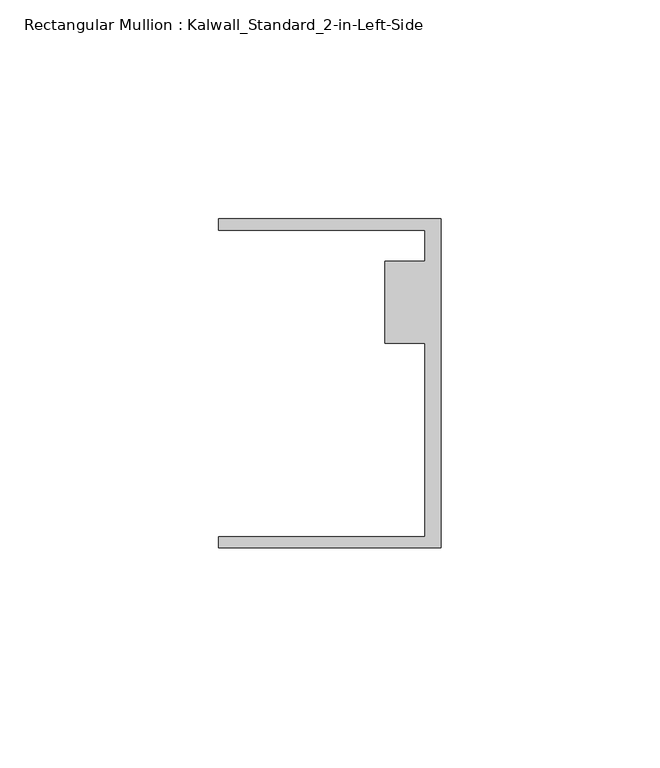
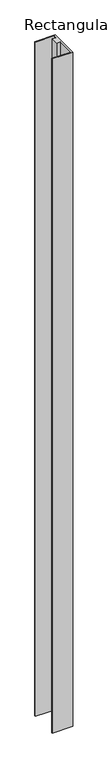
"""IFC4 building model written with IfcOpenShell, lengths in millimetres: member geometry, Rectangular Mullion : Kalwall_Standard_2-in-Left-Side."""

import ifcopenshell
import ifcopenshell.guid

model = None  # the IFC model being written
_history = None  # IfcOwnerHistory: only IFC2X3 demands one
_inside = {}  # id of a spatial element -> (the spatial element, [elements in it])
_under = {}  # id of a project, library or spatial element -> (it, [spatial elements below it])
_declared = {}  # id of a project -> (the project, [libraries it declares])
_typed = {}  # id of a type object -> (the type object, [elements of that type])
_made_of = {}  # id of a material, layer set ... -> (it, [elements and type objects made of it])


def new_model(schema):
    """Start an empty IFC model of exactly this schema.

    Asked for "IFC4X3", IfcOpenShell would pick the latest addendum, in which some entities
    have other attributes; the version numbers below select the first issue.
    IFC2X3 requires an IfcOwnerHistory on every rooted entity: one is made here for all.
    """
    global model, _history
    if schema == "IFC4X3":
        model = ifcopenshell.file(schema_version=(4, 3, 0, 0))
    else:
        model = ifcopenshell.file(schema=schema)
    _inside.clear()
    _under.clear()
    _declared.clear()
    _typed.clear()
    _made_of.clear()
    _history = None
    if model.schema == "IFC2X3":
        org = make("IfcOrganization", Name="unknown")
        user = make(
            "IfcPersonAndOrganization",
            ThePerson=make("IfcPerson", FamilyName="unknown"),
            TheOrganization=org,
        )
        app = make(
            "IfcApplication",
            ApplicationDeveloper=org,
            Version="unknown",
            ApplicationFullName="unknown",
            ApplicationIdentifier="unknown",
        )
        _history = make(
            "IfcOwnerHistory",
            OwningUser=user,
            OwningApplication=app,
            ChangeAction="ADDED",
            CreationDate=0,
        )
    return model


def make(cls, **values):
    """One entity of the class cls with the attributes given. An attribute that is None is left unset."""
    return model.create_entity(
        cls, **{name: value for name, value in values.items() if value is not None}
    )


def rooted(cls, **values):
    """An entity with a GlobalId (a new one), such as an element, a storey or a relation."""
    return make(cls, GlobalId=ifcopenshell.guid.new(), OwnerHistory=_history, **values)


def si_unit(unit_type, name, prefix=None):
    """IfcSIUnit, for example si_unit("LENGTHUNIT", "METRE", prefix="MILLI")."""
    return make("IfcSIUnit", UnitType=unit_type, Prefix=prefix, Name=name)


def assignment(units):
    """IfcUnitAssignment: the units of a project."""
    return None if units is None else make("IfcUnitAssignment", Units=units)


def point(xyz):
    """IfcCartesianPoint."""
    return None if xyz is None else make("IfcCartesianPoint", Coordinates=xyz)


def direction(xyz):
    """IfcDirection."""
    return None if xyz is None else make("IfcDirection", DirectionRatios=xyz)


def frame(location, z_axis=None, x_axis=None):
    """IfcAxis2Placement3D, a coordinate frame: its origin and axes. An axis left out is left unset."""
    return make(
        "IfcAxis2Placement3D",
        Location=point(location),
        Axis=direction(z_axis),
        RefDirection=direction(x_axis),
    )


def origin():
    """The frame at (0, 0, 0) with its axes left unset."""
    return frame((0.0, 0.0, 0.0))


def place(relative_to, where):
    """IfcLocalPlacement: puts the frame where relative to a parent placement (None: the world)."""
    return make(
        "IfcLocalPlacement", PlacementRelTo=relative_to, RelativePlacement=where
    )


def context(
    kind, dimensions, precision=None, world=None, true_north=None, identifier=None
):
    """IfcGeometricRepresentationContext, for example the 3D "Model" context."""
    return make(
        "IfcGeometricRepresentationContext",
        ContextIdentifier=identifier,
        ContextType=kind,
        CoordinateSpaceDimension=dimensions,
        Precision=precision,
        WorldCoordinateSystem=world,
        TrueNorth=true_north,
    )


def project(units=None, contexts=None):
    """IfcProject with its units and contexts."""
    return rooted(
        "IfcProject",
        Name="project",
        RepresentationContexts=contexts,
        UnitsInContext=assignment(units),
    )


def spatial(cls, under=None, at=None, **own):
    """A site, building, storey or space (cls), placed at a placement, below another one or the project."""
    s = rooted(cls, ObjectPlacement=at, **own)
    if under is not None:
        _under.setdefault(under.id(), (under, []))[1].append(s)
    return s


def polyline(points):
    """IfcPolyline through the points."""
    return make("IfcPolyline", Points=[point(p) for p in points])


def outline(outer, holes=None, kind="AREA"):
    """IfcArbitraryClosedProfileDef: a profile drawn as a closed curve; with holes, ...WithVoids."""
    if holes is None:
        return make("IfcArbitraryClosedProfileDef", ProfileType=kind, OuterCurve=outer)
    return make(
        "IfcArbitraryProfileDefWithVoids",
        ProfileType=kind,
        OuterCurve=outer,
        InnerCurves=holes,
    )


def extrude(swept, where, along, depth):
    """IfcExtrudedAreaSolid: the profile swept, set in the frame where, extruded along a direction by depth."""
    return make(
        "IfcExtrudedAreaSolid",
        SweptArea=swept,
        Position=where,
        ExtrudedDirection=direction(along),
        Depth=depth,
    )


def shape(context_of_items, identifier, shape_type, items):
    """IfcShapeRepresentation: the items that make up one representation, for example the "Body"."""
    return make(
        "IfcShapeRepresentation",
        ContextOfItems=context_of_items,
        RepresentationIdentifier=identifier,
        RepresentationType=shape_type,
        Items=items,
    )


def source(mapping_origin, context_of_items, identifier, shape_type, items):
    """IfcRepresentationMap: a shape defined once, which mapped items show again and again."""
    return make(
        "IfcRepresentationMap",
        MappingOrigin=mapping_origin,
        MappedRepresentation=shape(context_of_items, identifier, shape_type, items),
    )


def transform(
    local_origin,
    x_axis=None,
    y_axis=None,
    z_axis=None,
    scale=None,
    scale2=None,
    scale3=None,
    uniform=True,
):
    """IfcCartesianTransformationOperator3D, or its non-uniform kind. x_axis, y_axis, z_axis: its Axis1, 2, 3."""
    if uniform:
        return make(
            "IfcCartesianTransformationOperator3D",
            Axis1=direction(x_axis),
            Axis2=direction(y_axis),
            LocalOrigin=point(local_origin),
            Scale=scale,
            Axis3=direction(z_axis),
        )
    return make(
        "IfcCartesianTransformationOperator3DnonUniform",
        Axis1=direction(x_axis),
        Axis2=direction(y_axis),
        LocalOrigin=point(local_origin),
        Scale=scale,
        Axis3=direction(z_axis),
        Scale2=scale2,
        Scale3=scale3,
    )


def mapped(mapping_source, mapping_target):
    """IfcMappedItem: shows the shape of a source again, moved by a transform."""
    return make(
        "IfcMappedItem", MappingSource=mapping_source, MappingTarget=mapping_target
    )


def made_of(thing, what):
    """Note that an element or type object is made of a material, layer set ...; save() writes the relation."""
    if what is not None:
        _made_of.setdefault(what.id(), (what, []))[1].append(thing)
    return thing


def element(
    cls,
    number,
    at=None,
    inside=None,
    cuts=None,
    type_object=None,
    material=None,
    context=None,
    identifier="Body",
    shape_type=None,
    held_by="IfcProductDefinitionShape",
    body=None,
    shapes=None,
    **own,
):
    """One element of the class cls, such as IfcWall. Its Tag is "e" and its number.

    at: its placement. inside: the storey or other place that contains it. cuts: it is an
    opening in that element (IfcRelVoidsElement). A single representation is given by context,
    identifier, shape_type and body (its items); several are given by shapes. held_by: the class
    of the entity that holds the representations. save() writes the other relations.
    """
    e = rooted(cls, Tag="e%d" % number, ObjectPlacement=at, **own)
    if body is not None:
        shapes = [shape(context, identifier, shape_type, body)]
    if shapes is not None:
        e.Representation = make(held_by, Representations=shapes)
    if inside is not None:
        _inside.setdefault(inside.id(), (inside, []))[1].append(e)
    if cuts is not None:
        rooted(
            "IfcRelVoidsElement", RelatingBuildingElement=cuts, RelatedOpeningElement=e
        )
    if type_object is not None:
        _typed.setdefault(type_object.id(), (type_object, []))[1].append(e)
    return made_of(e, material)


def aggregate(whole, parts):
    """IfcRelAggregates: a whole, such as a stair, and the parts it consists of."""
    return rooted("IfcRelAggregates", RelatingObject=whole, RelatedObjects=parts)


def save(model, path):
    """Write the relations noted so far, then the file.

    IfcRelAggregates (storeys below a building ...), IfcRelContainedInSpatialStructure (elements
    in a storey), IfcRelDefinesByType, IfcRelAssociatesMaterial and IfcRelDeclares: one each for
    every whole, place, type object, material and project.
    """
    for whole, parts in _under.values():
        aggregate(whole, parts)
    for where, things in _inside.values():
        rooted(
            "IfcRelContainedInSpatialStructure",
            RelatedElements=things,
            RelatingStructure=where,
        )
    for kind, things in _typed.values():
        rooted("IfcRelDefinesByType", RelatedObjects=things, RelatingType=kind)
    for what, things in _made_of.values():
        rooted("IfcRelAssociatesMaterial", RelatedObjects=things, RelatingMaterial=what)
    for by, libraries in _declared.values():
        rooted("IfcRelDeclares", RelatingContext=by, RelatedDefinitions=libraries)
    model.write(path)


def rectangular_mullion_kalwall_standard_2_in_left_side_ed4f2fd7(model_context):
    return source(origin(), model_context, "Body", "SweptSolid", [
        extrude(outline(polyline([(0.0, 37.5776386), (0.0, -37.5023614), (-50.8, -37.5023614), (-50.8, -34.9623614), (-3.7084, -34.9623614), (-3.7084, 9.1879886), (-12.8272539, 9.1879886), (-12.8272539, 27.8888568), (-3.7084, 27.8888568), (-3.7084, 35.0376386), (-50.8, 35.0376386), (-50.8, 37.5776386), (0.0, 37.5776386)])), frame((0.0, 0.0, -1776.625), z_axis=(0.0, 0.0, 1.0), x_axis=(1.0, 0.0, 0.0)), (0.0, 0.0, 1.0), 1776.625),
    ])


if __name__ == "__main__":
    model = new_model("IFC4")
    model_context = context("Model", 3, world=origin())
    ifc_project = project(units=[si_unit("LENGTHUNIT", "METRE", prefix="MILLI")], contexts=[model_context])
    site = spatial("IfcSite", under=ifc_project)
    building = spatial("IfcBuilding", under=site)
    placement = place(None, origin())
    rectangular_mullion_kalwall_standard_2_in_left_side_shape = rectangular_mullion_kalwall_standard_2_in_left_side_ed4f2fd7(model_context)
    element("IfcMember", 1, ObjectType="Rectangular Mullion : Kalwall_Standard_2-in-Left-Side", at=placement, inside=building, context=model_context, shape_type="MappedRepresentation", body=[
        mapped(rectangular_mullion_kalwall_standard_2_in_left_side_shape, transform((0.0, 0.0, 0.0), x_axis=(1.0, 0.0, 0.0), y_axis=(0.0, 1.0, 0.0), z_axis=(0.0, 0.0, 1.0))),
    ])
    save(model, "model.ifc")
